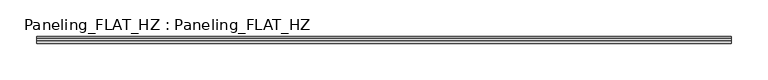
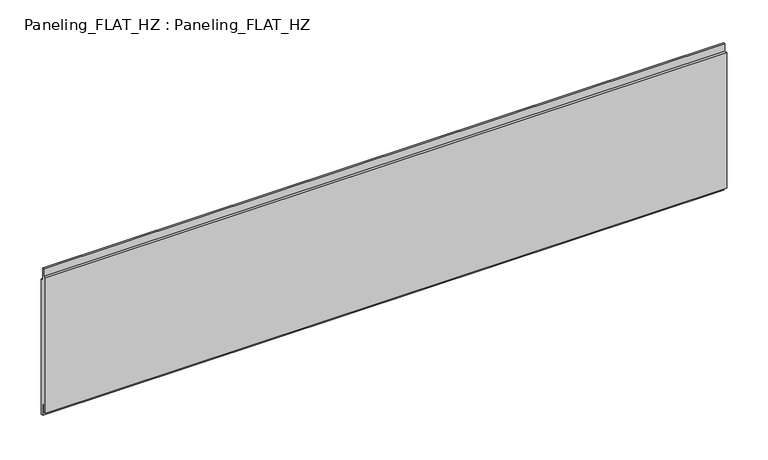
"""IFC4 building model written with IfcOpenShell, lengths in millimetres: plate geometry, Paneling_FLAT_HZ : Paneling_FLAT_HZ."""

from ifc_helpers import new_model, si_unit, frame, origin, place, context, project, spatial, polyline, outline, extrude, source, transform, mapped, element, save


def paneling_flat_hz_paneling_flat_hz_b8d2facd(model_context):
    return source(origin(), model_context, "Body", "SweptSolid", [
        extrude(outline(polyline([(-1.0, 211.0), (2.0, 211.0), (2.0, 193.0), (5.0, 193.0), (5.0, -7.0), (2.0, -7.0), (2.0, 11.0), (-1.0, 11.0), (-1.0, 0.0), (-5.0, 0.0), (-5.0, 200.0), (-1.0, 200.0), (-1.0, 211.0)])), frame((-475.5, 0.0, 0.0), z_axis=(1.0, 0.0, 0.0), x_axis=(0.0, 1.0, 0.0)), (0.0, 0.0, 1.0), 951.0),
    ])


if __name__ == "__main__":
    model = new_model("IFC4")
    model_context = context("Model", 3, world=origin())
    ifc_project = project(units=[si_unit("LENGTHUNIT", "METRE", prefix="MILLI")], contexts=[model_context])
    site = spatial("IfcSite", under=ifc_project)
    building = spatial("IfcBuilding", under=site)
    placement = place(None, origin())
    paneling_flat_hz_paneling_flat_hz_shape = paneling_flat_hz_paneling_flat_hz_b8d2facd(model_context)
    element("IfcPlate", 1, ObjectType="Paneling_FLAT_HZ : Paneling_FLAT_HZ", at=placement, inside=building, context=model_context, shape_type="MappedRepresentation", body=[
        mapped(paneling_flat_hz_paneling_flat_hz_shape, transform((0.0, 0.0, 0.0), x_axis=(1.0, 0.0, 0.0), y_axis=(0.0, 1.0, 0.0), z_axis=(0.0, 0.0, 1.0))),
    ])
    save(model, "model.ifc")
